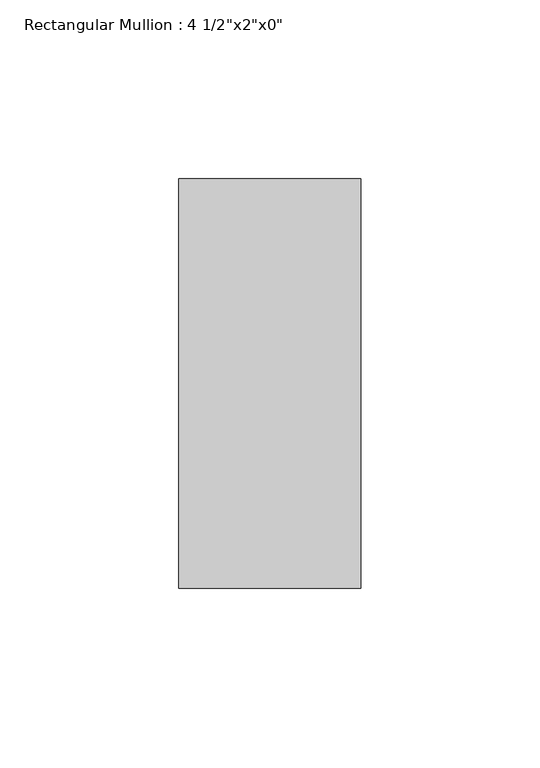
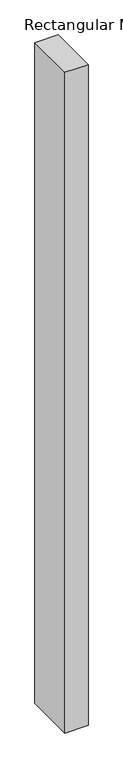
"""IFC4 building model written with IfcOpenShell, lengths in millimetres: member geometry."""

from ifc_helpers import new_model, si_unit, frame, origin, place, context, project, spatial, polyline, outline, extrude, source, transform, mapped, element, save


def member_107c2123(model_context):
    return source(origin(), model_context, "Body", "SweptSolid", [
        extrude(outline(polyline([(0.0, 57.15), (0.0, -57.15), (-50.8, -57.15), (-50.8, 57.15), (0.0, 57.15)])), frame((0.0, 0.0, -1534.5833333), z_axis=(0.0, 0.0, 1.0), x_axis=(1.0, 0.0, 0.0)), (0.0, 0.0, 1.0), 1534.5833333),
    ])


if __name__ == "__main__":
    model = new_model("IFC4")
    model_context = context("Model", 3, world=origin())
    ifc_project = project(units=[si_unit("LENGTHUNIT", "METRE", prefix="MILLI")], contexts=[model_context])
    site = spatial("IfcSite", under=ifc_project)
    building = spatial("IfcBuilding", under=site)
    placement = place(None, origin())
    member_shape = member_107c2123(model_context)
    element("IfcMember", 1, ObjectType="Rectangular Mullion : 4 1/2\"x2\"x0\"", at=placement, inside=building, context=model_context, shape_type="MappedRepresentation", body=[
        mapped(member_shape, transform((0.0, 0.0, 0.0), x_axis=(1.0, 0.0, 0.0), y_axis=(0.0, 1.0, 0.0), z_axis=(0.0, 0.0, 1.0))),
    ])
    save(model, "model.ifc")
